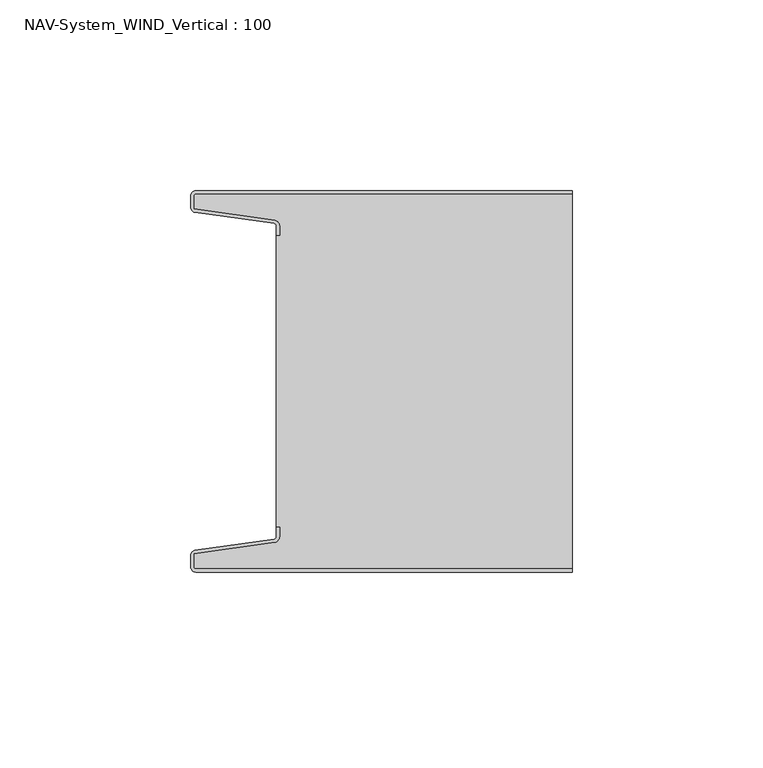
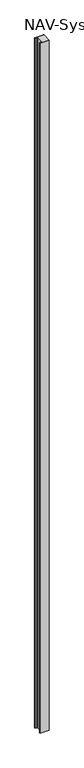
"""IFC4 building model written with IfcOpenShell, lengths in millimetres: plate geometry, NAV-System_WIND_Vertical : 100."""

from ifc_helpers import new_model, si_unit, point, frame_2d, origin, origin_with_axes, place, context, project, spatial, polyline, circle_curve, trimmed, segment, composite_curve, outline, extrude, source, transform, mapped, element, save


def nav_system_wind_vertical_100_084fe435(model_context):
    return source(origin(), model_context, "Body", "SweptSolid", [
        extrude(outline(composite_curve([segment(trimmed(circle_curve(frame_2d((-48.7, -98.7)), 1.3), [point((-48.7, -100.0))], [point((-50.0, -98.7))], False, "CARTESIAN"), True, "CONTINUOUS"), segment(polyline([(-50.0, -98.7), (-50.0, -95.6299809)]), True, "CONTINUOUS"), segment(trimmed(circle_curve(frame_2d((-48.7, -95.6299809)), 1.3), [point((-50.0, -95.6299809))], [point((-48.8810287, -94.342647))], False, "CARTESIAN"), True, "CONTINUOUS"), segment(polyline([(-48.8810287, -94.342647), (-28.102523, -91.4207123)]), True, "CONTINUOUS"), segment(trimmed(circle_curve(frame_2d((-28.2, -90.7275325)), 0.7), [point((-28.102523, -91.4207123))], [point((-27.5, -90.7275325))], True, "CARTESIAN"), True, "CONTINUOUS"), segment(polyline([(-27.5, -90.7275325), (-27.5, -88.3275325), (-26.7, -88.3275325), (-26.7, -90.7275325)]), True, "CONTINUOUS"), segment(trimmed(circle_curve(frame_2d((-28.2, -90.7275325)), 1.5), [point((-26.7, -90.7275325))], [point((-27.9911207, -92.2129178))], False, "CARTESIAN"), True, "CONTINUOUS"), segment(polyline([(-27.9911207, -92.2129178), (-49.2, -95.1953728), (-49.2, -98.7)]), True, "CONTINUOUS"), segment(trimmed(circle_curve(frame_2d((-48.7, -98.7)), 0.5), [point((-49.2, -98.7))], [point((-48.7, -99.2))], True, "CARTESIAN"), True, "CONTINUOUS"), segment(polyline([(-48.7, -99.2), (50.0, -99.2), (50.0, -100.0), (-48.7, -100.0)]), True, "CONTINUOUS")], self_intersect=False)), origin_with_axes(), (0.0, 0.0, 1.0), 8000.0),
        extrude(outline(composite_curve([segment(trimmed(circle_curve(frame_2d((-48.7, -1.3)), 0.5), [point((-48.7, -0.8))], [point((-49.2, -1.3))], True, "CARTESIAN"), True, "CONTINUOUS"), segment(polyline([(-49.2, -1.3), (-49.2, -4.8046272), (-27.9911207, -7.7870822)]), True, "CONTINUOUS"), segment(trimmed(circle_curve(frame_2d((-28.2, -9.2724675)), 1.5), [point((-27.9911207, -7.7870822))], [point((-26.7, -9.2724675))], False, "CARTESIAN"), True, "CONTINUOUS"), segment(polyline([(-26.7, -9.2724675), (-26.7, -11.6724675), (-27.5, -11.6724675), (-27.5, -9.2724675)]), True, "CONTINUOUS"), segment(trimmed(circle_curve(frame_2d((-28.2, -9.2724675)), 0.7), [point((-27.5, -9.2724675))], [point((-28.102523, -8.5792877))], True, "CARTESIAN"), True, "CONTINUOUS"), segment(polyline([(-28.102523, -8.5792877), (-48.8810287, -5.657353)]), True, "CONTINUOUS"), segment(trimmed(circle_curve(frame_2d((-48.7, -4.3700191)), 1.3), [point((-48.8810287, -5.657353))], [point((-50.0, -4.3700191))], False, "CARTESIAN"), True, "CONTINUOUS"), segment(polyline([(-50.0, -4.3700191), (-50.0, -1.3)]), True, "CONTINUOUS"), segment(trimmed(circle_curve(frame_2d((-48.7, -1.3)), 1.3), [point((-50.0, -1.3))], [point((-48.7, 0.0))], False, "CARTESIAN"), True, "CONTINUOUS"), segment(polyline([(-48.7, 0.0), (50.0, 0.0), (50.0, -0.8), (-48.7, -0.8)]), True, "CONTINUOUS")], self_intersect=False)), origin_with_axes(), (0.0, 0.0, 1.0), 8000.0),
        extrude(outline(composite_curve([segment(trimmed(circle_curve(frame_2d((-48.7, -98.7)), 0.5), [point((-48.7, -99.2))], [point((-49.2, -98.7))], False, "CARTESIAN"), True, "CONTINUOUS"), segment(polyline([(-49.2, -98.7), (-49.2, -95.1953728), (-27.9911207, -92.2129178)]), True, "CONTINUOUS"), segment(trimmed(circle_curve(frame_2d((-28.2, -90.7275325)), 1.5), [point((-27.9911207, -92.2129178))], [point((-26.7, -90.7275325))], True, "CARTESIAN"), True, "CONTINUOUS"), segment(polyline([(-26.7, -90.7275325), (-26.7, -88.2767555), (-27.5, -88.2767555), (-27.5, -11.6767555), (-26.7, -11.6767555), (-26.7, -9.2724675)]), True, "CONTINUOUS"), segment(trimmed(circle_curve(frame_2d((-28.2, -9.2724675)), 1.5), [point((-26.7, -9.2724675))], [point((-27.9911207, -7.7870822))], True, "CARTESIAN"), True, "CONTINUOUS"), segment(polyline([(-27.9911207, -7.7870822), (-49.2, -4.8046272), (-49.2, -1.3)]), True, "CONTINUOUS"), segment(trimmed(circle_curve(frame_2d((-48.7, -1.3)), 0.5), [point((-49.2, -1.3))], [point((-48.7, -0.8))], False, "CARTESIAN"), True, "CONTINUOUS"), segment(polyline([(-48.7, -0.8), (50.0, -0.8), (50.0, -99.2), (-48.7, -99.2)]), True, "CONTINUOUS")], self_intersect=False)), origin_with_axes(), (0.0, 0.0, 1.0), 8000.0),
    ])


if __name__ == "__main__":
    model = new_model("IFC4")
    model_context = context("Model", 3, world=origin())
    ifc_project = project(units=[si_unit("LENGTHUNIT", "METRE", prefix="MILLI")], contexts=[model_context])
    site = spatial("IfcSite", under=ifc_project)
    building = spatial("IfcBuilding", under=site)
    placement = place(None, origin())
    nav_system_wind_vertical_100_shape = nav_system_wind_vertical_100_084fe435(model_context)
    element("IfcPlate", 1, ObjectType="NAV-System_WIND_Vertical : 100", at=placement, inside=building, context=model_context, shape_type="MappedRepresentation", body=[
        mapped(nav_system_wind_vertical_100_shape, transform((0.0, 0.0, 0.0), x_axis=(1.0, 0.0, 0.0), y_axis=(0.0, 1.0, 0.0), z_axis=(0.0, 0.0, 1.0))),
    ])
    save(model, "model.ifc")
